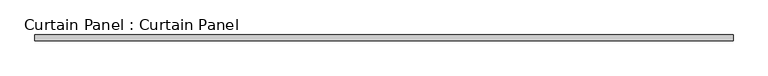
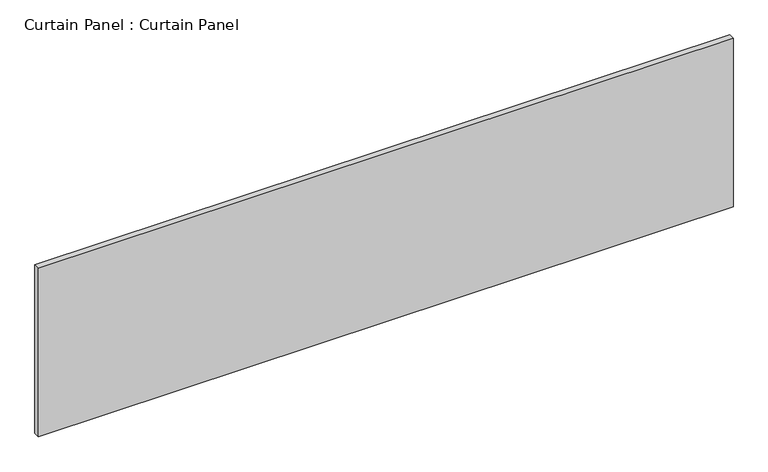
"""IFC4 building model written with IfcOpenShell, lengths in millimetres: plate geometry, Curtain Panel : Curtain Panel."""

import ifcopenshell
import ifcopenshell.guid

model = None  # the IFC model being written
_history = None  # IfcOwnerHistory: only IFC2X3 demands one
_inside = {}  # id of a spatial element -> (the spatial element, [elements in it])
_under = {}  # id of a project, library or spatial element -> (it, [spatial elements below it])
_declared = {}  # id of a project -> (the project, [libraries it declares])
_typed = {}  # id of a type object -> (the type object, [elements of that type])
_made_of = {}  # id of a material, layer set ... -> (it, [elements and type objects made of it])


def new_model(schema):
    """Start an empty IFC model of exactly this schema.

    Asked for "IFC4X3", IfcOpenShell would pick the latest addendum, in which some entities
    have other attributes; the version numbers below select the first issue.
    IFC2X3 requires an IfcOwnerHistory on every rooted entity: one is made here for all.
    """
    global model, _history
    if schema == "IFC4X3":
        model = ifcopenshell.file(schema_version=(4, 3, 0, 0))
    else:
        model = ifcopenshell.file(schema=schema)
    _inside.clear()
    _under.clear()
    _declared.clear()
    _typed.clear()
    _made_of.clear()
    _history = None
    if model.schema == "IFC2X3":
        org = make("IfcOrganization", Name="unknown")
        user = make(
            "IfcPersonAndOrganization",
            ThePerson=make("IfcPerson", FamilyName="unknown"),
            TheOrganization=org,
        )
        app = make(
            "IfcApplication",
            ApplicationDeveloper=org,
            Version="unknown",
            ApplicationFullName="unknown",
            ApplicationIdentifier="unknown",
        )
        _history = make(
            "IfcOwnerHistory",
            OwningUser=user,
            OwningApplication=app,
            ChangeAction="ADDED",
            CreationDate=0,
        )
    return model


def make(cls, **values):
    """One entity of the class cls with the attributes given. An attribute that is None is left unset."""
    return model.create_entity(
        cls, **{name: value for name, value in values.items() if value is not None}
    )


def rooted(cls, **values):
    """An entity with a GlobalId (a new one), such as an element, a storey or a relation."""
    return make(cls, GlobalId=ifcopenshell.guid.new(), OwnerHistory=_history, **values)


def si_unit(unit_type, name, prefix=None):
    """IfcSIUnit, for example si_unit("LENGTHUNIT", "METRE", prefix="MILLI")."""
    return make("IfcSIUnit", UnitType=unit_type, Prefix=prefix, Name=name)


def assignment(units):
    """IfcUnitAssignment: the units of a project."""
    return None if units is None else make("IfcUnitAssignment", Units=units)


def point(xyz):
    """IfcCartesianPoint."""
    return None if xyz is None else make("IfcCartesianPoint", Coordinates=xyz)


def direction(xyz):
    """IfcDirection."""
    return None if xyz is None else make("IfcDirection", DirectionRatios=xyz)


def frame(location, z_axis=None, x_axis=None):
    """IfcAxis2Placement3D, a coordinate frame: its origin and axes. An axis left out is left unset."""
    return make(
        "IfcAxis2Placement3D",
        Location=point(location),
        Axis=direction(z_axis),
        RefDirection=direction(x_axis),
    )


def origin():
    """The frame at (0, 0, 0) with its axes left unset."""
    return frame((0.0, 0.0, 0.0))


def place(relative_to, where):
    """IfcLocalPlacement: puts the frame where relative to a parent placement (None: the world)."""
    return make(
        "IfcLocalPlacement", PlacementRelTo=relative_to, RelativePlacement=where
    )


def context(
    kind, dimensions, precision=None, world=None, true_north=None, identifier=None
):
    """IfcGeometricRepresentationContext, for example the 3D "Model" context."""
    return make(
        "IfcGeometricRepresentationContext",
        ContextIdentifier=identifier,
        ContextType=kind,
        CoordinateSpaceDimension=dimensions,
        Precision=precision,
        WorldCoordinateSystem=world,
        TrueNorth=true_north,
    )


def project(units=None, contexts=None):
    """IfcProject with its units and contexts."""
    return rooted(
        "IfcProject",
        Name="project",
        RepresentationContexts=contexts,
        UnitsInContext=assignment(units),
    )


def spatial(cls, under=None, at=None, **own):
    """A site, building, storey or space (cls), placed at a placement, below another one or the project."""
    s = rooted(cls, ObjectPlacement=at, **own)
    if under is not None:
        _under.setdefault(under.id(), (under, []))[1].append(s)
    return s


def polyline(points):
    """IfcPolyline through the points."""
    return make("IfcPolyline", Points=[point(p) for p in points])


def outline(outer, holes=None, kind="AREA"):
    """IfcArbitraryClosedProfileDef: a profile drawn as a closed curve; with holes, ...WithVoids."""
    if holes is None:
        return make("IfcArbitraryClosedProfileDef", ProfileType=kind, OuterCurve=outer)
    return make(
        "IfcArbitraryProfileDefWithVoids",
        ProfileType=kind,
        OuterCurve=outer,
        InnerCurves=holes,
    )


def extrude(swept, where, along, depth):
    """IfcExtrudedAreaSolid: the profile swept, set in the frame where, extruded along a direction by depth."""
    return make(
        "IfcExtrudedAreaSolid",
        SweptArea=swept,
        Position=where,
        ExtrudedDirection=direction(along),
        Depth=depth,
    )


def shape(context_of_items, identifier, shape_type, items):
    """IfcShapeRepresentation: the items that make up one representation, for example the "Body"."""
    return make(
        "IfcShapeRepresentation",
        ContextOfItems=context_of_items,
        RepresentationIdentifier=identifier,
        RepresentationType=shape_type,
        Items=items,
    )


def source(mapping_origin, context_of_items, identifier, shape_type, items):
    """IfcRepresentationMap: a shape defined once, which mapped items show again and again."""
    return make(
        "IfcRepresentationMap",
        MappingOrigin=mapping_origin,
        MappedRepresentation=shape(context_of_items, identifier, shape_type, items),
    )


def transform(
    local_origin,
    x_axis=None,
    y_axis=None,
    z_axis=None,
    scale=None,
    scale2=None,
    scale3=None,
    uniform=True,
):
    """IfcCartesianTransformationOperator3D, or its non-uniform kind. x_axis, y_axis, z_axis: its Axis1, 2, 3."""
    if uniform:
        return make(
            "IfcCartesianTransformationOperator3D",
            Axis1=direction(x_axis),
            Axis2=direction(y_axis),
            LocalOrigin=point(local_origin),
            Scale=scale,
            Axis3=direction(z_axis),
        )
    return make(
        "IfcCartesianTransformationOperator3DnonUniform",
        Axis1=direction(x_axis),
        Axis2=direction(y_axis),
        LocalOrigin=point(local_origin),
        Scale=scale,
        Axis3=direction(z_axis),
        Scale2=scale2,
        Scale3=scale3,
    )


def mapped(mapping_source, mapping_target):
    """IfcMappedItem: shows the shape of a source again, moved by a transform."""
    return make(
        "IfcMappedItem", MappingSource=mapping_source, MappingTarget=mapping_target
    )


def made_of(thing, what):
    """Note that an element or type object is made of a material, layer set ...; save() writes the relation."""
    if what is not None:
        _made_of.setdefault(what.id(), (what, []))[1].append(thing)
    return thing


def element(
    cls,
    number,
    at=None,
    inside=None,
    cuts=None,
    type_object=None,
    material=None,
    context=None,
    identifier="Body",
    shape_type=None,
    held_by="IfcProductDefinitionShape",
    body=None,
    shapes=None,
    **own,
):
    """One element of the class cls, such as IfcWall. Its Tag is "e" and its number.

    at: its placement. inside: the storey or other place that contains it. cuts: it is an
    opening in that element (IfcRelVoidsElement). A single representation is given by context,
    identifier, shape_type and body (its items); several are given by shapes. held_by: the class
    of the entity that holds the representations. save() writes the other relations.
    """
    e = rooted(cls, Tag="e%d" % number, ObjectPlacement=at, **own)
    if body is not None:
        shapes = [shape(context, identifier, shape_type, body)]
    if shapes is not None:
        e.Representation = make(held_by, Representations=shapes)
    if inside is not None:
        _inside.setdefault(inside.id(), (inside, []))[1].append(e)
    if cuts is not None:
        rooted(
            "IfcRelVoidsElement", RelatingBuildingElement=cuts, RelatedOpeningElement=e
        )
    if type_object is not None:
        _typed.setdefault(type_object.id(), (type_object, []))[1].append(e)
    return made_of(e, material)


def aggregate(whole, parts):
    """IfcRelAggregates: a whole, such as a stair, and the parts it consists of."""
    return rooted("IfcRelAggregates", RelatingObject=whole, RelatedObjects=parts)


def save(model, path):
    """Write the relations noted so far, then the file.

    IfcRelAggregates (storeys below a building ...), IfcRelContainedInSpatialStructure (elements
    in a storey), IfcRelDefinesByType, IfcRelAssociatesMaterial and IfcRelDeclares: one each for
    every whole, place, type object, material and project.
    """
    for whole, parts in _under.values():
        aggregate(whole, parts)
    for where, things in _inside.values():
        rooted(
            "IfcRelContainedInSpatialStructure",
            RelatedElements=things,
            RelatingStructure=where,
        )
    for kind, things in _typed.values():
        rooted("IfcRelDefinesByType", RelatedObjects=things, RelatingType=kind)
    for what, things in _made_of.values():
        rooted("IfcRelAssociatesMaterial", RelatedObjects=things, RelatingMaterial=what)
    for by, libraries in _declared.values():
        rooted("IfcRelDeclares", RelatingContext=by, RelatedDefinitions=libraries)
    model.write(path)


def curtain_panel_curtain_panel_02214d26(model_context):
    return source(origin(), model_context, "Body", "SweptSolid", [
        extrude(outline(polyline([(-117656.3555895, -9130.4431787), (-120669.4305895, -9130.4431787), (-120669.4305895, -9105.0431787), (-117656.3555895, -9105.0431787), (-117656.3555895, -9130.4431787)])), frame((0.0, 0.0, 3117.453125), z_axis=(0.0, 0.0, 1.0), x_axis=(1.0, 0.0, 0.0)), (0.0, 0.0, 1.0), 772.2850477),
    ])


if __name__ == "__main__":
    model = new_model("IFC4")
    model_context = context("Model", 3, world=origin())
    ifc_project = project(units=[si_unit("LENGTHUNIT", "METRE", prefix="MILLI")], contexts=[model_context])
    site = spatial("IfcSite", under=ifc_project)
    building = spatial("IfcBuilding", under=site)
    placement = place(None, origin())
    curtain_panel_curtain_panel_shape = curtain_panel_curtain_panel_02214d26(model_context)
    element("IfcPlate", 1, ObjectType="Curtain Panel : Curtain Panel", at=placement, inside=building, context=model_context, shape_type="MappedRepresentation", body=[
        mapped(curtain_panel_curtain_panel_shape, transform((0.0, 0.0, 0.0), x_axis=(1.0, 0.0, 0.0), y_axis=(0.0, 1.0, 0.0), z_axis=(0.0, 0.0, 1.0))),
    ])
    save(model, "model.ifc")
